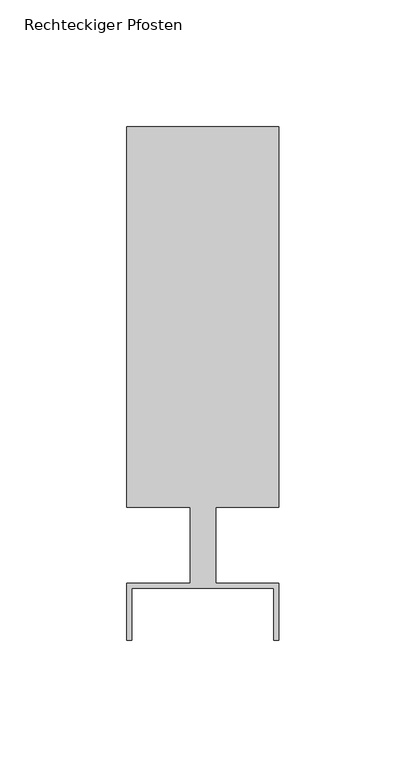
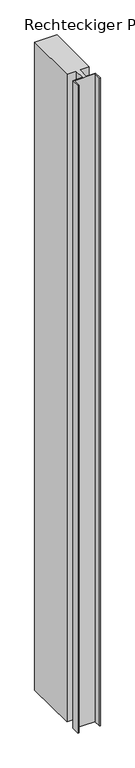
"""IFC4 building model written with IfcOpenShell, lengths in millimetres: member geometry, Rechteckiger Pfosten."""

from ifc_helpers import new_model, si_unit, frame, origin, place, context, project, spatial, polyline, outline, extrude, source, transform, mapped, element, save


def rechteckiger_pfosten_16c64bc3(model_context):
    return source(origin(), model_context, "Body", "SweptSolid", [
        extrude(outline(polyline([(28.0, -37.5), (28.0, -17.0), (-28.0, -17.0), (-28.0, -37.5), (-30.0, -37.5), (-30.0, -15.0), (-5.0, -15.0), (-5.0, 15.0), (-30.0, 15.0), (-30.0, 165.0), (30.0, 165.0), (30.0, 15.0), (5.0, 15.0), (5.0, -15.0), (30.0, -15.0), (30.0, -37.5), (28.0, -37.5)])), frame((0.0, 0.0, -1846.4189594), z_axis=(0.0, 0.0, 1.0), x_axis=(1.0, 0.0, 0.0)), (0.0, 0.0, 1.0), 1846.4189594),
    ])


if __name__ == "__main__":
    model = new_model("IFC4")
    model_context = context("Model", 3, world=origin())
    ifc_project = project(units=[si_unit("LENGTHUNIT", "METRE", prefix="MILLI")], contexts=[model_context])
    site = spatial("IfcSite", under=ifc_project)
    building = spatial("IfcBuilding", under=site)
    placement = place(None, origin())
    rechteckiger_pfosten_shape = rechteckiger_pfosten_16c64bc3(model_context)
    element("IfcMember", 1, ObjectType="Rechteckiger Pfosten", at=placement, inside=building, context=model_context, shape_type="MappedRepresentation", body=[
        mapped(rechteckiger_pfosten_shape, transform((0.0, 0.0, 0.0), x_axis=(1.0, 0.0, 0.0), y_axis=(0.0, 1.0, 0.0), z_axis=(0.0, 0.0, 1.0))),
    ])
    save(model, "model.ifc")
